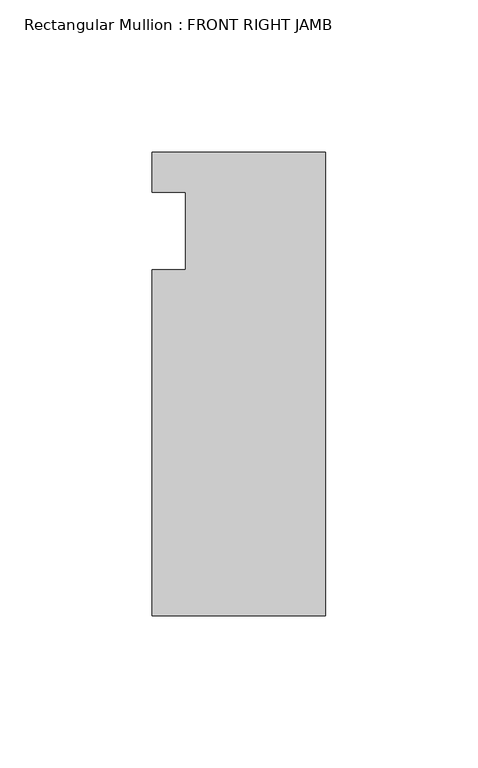
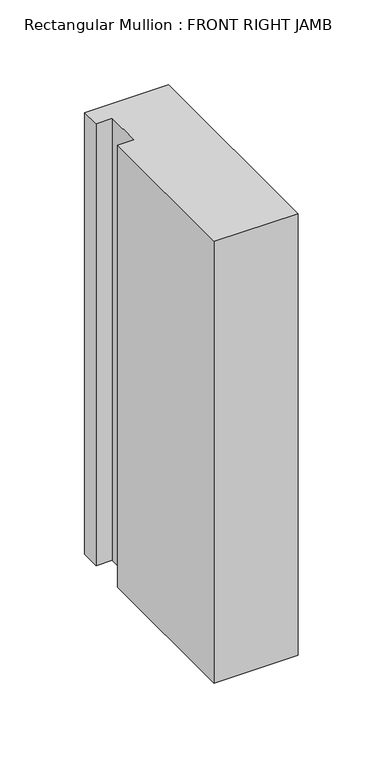
"""IFC4 building model written with IfcOpenShell, lengths in millimetres: member geometry, Rectangular Mullion : FRONT RIGHT JAMB."""

from ifc_helpers import new_model, si_unit, frame, origin, place, context, project, spatial, polyline, outline, extrude, source, transform, mapped, element, save


def rectangular_mullion_front_right_jamb_6f1b7600(model_context):
    return source(origin(), model_context, "Body", "SweptSolid", [
        extrude(outline(polyline([(-57.15, 7.14375), (0.0, 7.14375), (0.0, -145.25625), (-57.15, -145.25625), (-57.15, -31.45155), (-46.0375, -31.45155), (-46.0375, -6.05155), (-57.15, -6.05155), (-57.15, 7.14375)])), frame((0.0, 0.0, -317.5), z_axis=(0.0, 0.0, 1.0), x_axis=(1.0, 0.0, 0.0)), (0.0, 0.0, 1.0), 317.5),
    ])


if __name__ == "__main__":
    model = new_model("IFC4")
    model_context = context("Model", 3, world=origin())
    ifc_project = project(units=[si_unit("LENGTHUNIT", "METRE", prefix="MILLI")], contexts=[model_context])
    site = spatial("IfcSite", under=ifc_project)
    building = spatial("IfcBuilding", under=site)
    placement = place(None, origin())
    rectangular_mullion_front_right_jamb_shape = rectangular_mullion_front_right_jamb_6f1b7600(model_context)
    element("IfcMember", 1, ObjectType="Rectangular Mullion : FRONT RIGHT JAMB", at=placement, inside=building, context=model_context, shape_type="MappedRepresentation", body=[
        mapped(rectangular_mullion_front_right_jamb_shape, transform((0.0, 0.0, 0.0), x_axis=(1.0, 0.0, 0.0), y_axis=(0.0, 1.0, 0.0), z_axis=(0.0, 0.0, 1.0))),
    ])
    save(model, "model.ifc")
